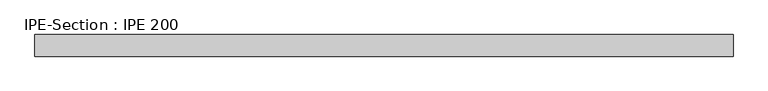
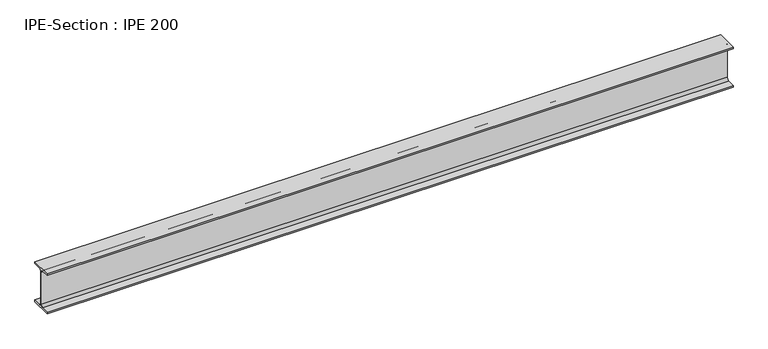
"""IFC4 building model written with IfcOpenShell, lengths in millimetres: beam geometry, IPE-Section : IPE 200."""

from ifc_helpers import new_model, si_unit, point, frame, frame_2d, origin, place, context, project, spatial, polyline, circle_curve, trimmed, segment, composite_curve, outline, extrude, source, transform, mapped, element, save


def ipe_section_ipe_200_4a7f3e90(model_context):
    return source(origin(), model_context, "Body", "SweptSolid", [
        extrude(outline(composite_curve([segment(polyline([(-50.0, -91.5), (-14.8, -91.5)]), True, "CONTINUOUS"), segment(trimmed(circle_curve(frame_2d((-14.8, -79.5)), 12.0), [point((-14.8, -91.5))], [point((-2.8, -79.5))], True, "CARTESIAN"), True, "CONTINUOUS"), segment(polyline([(-2.8, -79.5), (-2.8, 79.5)]), True, "CONTINUOUS"), segment(trimmed(circle_curve(frame_2d((-14.8, 79.5)), 12.0), [point((-2.8, 79.5))], [point((-14.8, 91.5))], True, "CARTESIAN"), True, "CONTINUOUS"), segment(polyline([(-14.8, 91.5), (-50.0, 91.5), (-50.0, 100.0), (50.0, 100.0), (50.0, 91.5), (14.8, 91.5)]), True, "CONTINUOUS"), segment(trimmed(circle_curve(frame_2d((14.8, 79.5)), 12.0), [point((14.8, 91.5))], [point((2.8, 79.5))], True, "CARTESIAN"), True, "CONTINUOUS"), segment(polyline([(2.8, 79.5), (2.8, -79.5)]), True, "CONTINUOUS"), segment(trimmed(circle_curve(frame_2d((14.8, -79.5)), 12.0), [point((2.8, -79.5))], [point((14.8, -91.5))], True, "CARTESIAN"), True, "CONTINUOUS"), segment(polyline([(14.8, -91.5), (50.0, -91.5), (50.0, -100.0), (-50.0, -100.0), (-50.0, -91.5)]), True, "CONTINUOUS")], self_intersect=False)), frame((-1597.7508034, 0.0, 0.0), z_axis=(1.0, 0.0, 0.0), x_axis=(0.0, 1.0, 0.0)), (0.0, 0.0, 1.0), 3232.6285281),
    ])


if __name__ == "__main__":
    model = new_model("IFC4")
    model_context = context("Model", 3, world=origin())
    ifc_project = project(units=[si_unit("LENGTHUNIT", "METRE", prefix="MILLI")], contexts=[model_context])
    site = spatial("IfcSite", under=ifc_project)
    building = spatial("IfcBuilding", under=site)
    placement = place(None, origin())
    ipe_section_ipe_200_shape = ipe_section_ipe_200_4a7f3e90(model_context)
    element("IfcBeam", 1, ObjectType="IPE-Section : IPE 200", at=placement, inside=building, context=model_context, shape_type="MappedRepresentation", body=[
        mapped(ipe_section_ipe_200_shape, transform((0.0, 0.0, 0.0), x_axis=(1.0, 0.0, 0.0), y_axis=(0.0, 1.0, 0.0), z_axis=(0.0, 0.0, 1.0))),
    ])
    save(model, "model.ifc")
